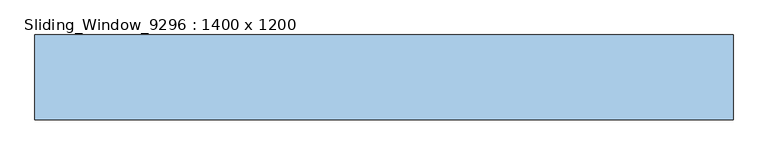
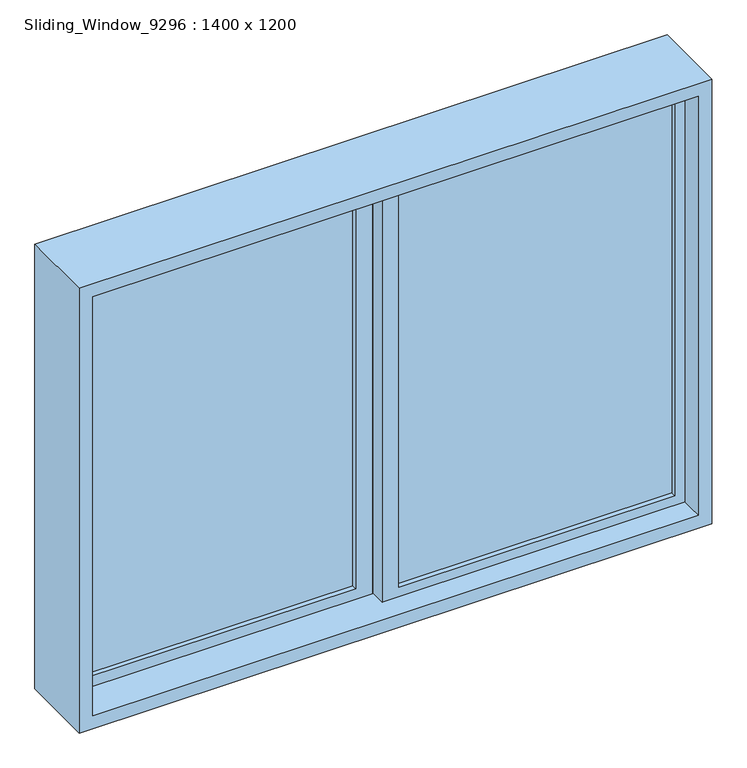
"""IFC4 building model written with IfcOpenShell, lengths in millimetres: window geometry, Sliding_Window_9296 : 1400 x 1200."""

from ifc_helpers import new_model, si_unit, frame, origin, place, context, project, spatial, polyline, outline, extrude, faceted_brep, source, transform, mapped, element, save


def sliding_window_9296_1400_x_1200_3bfe0642(model_context):
    return source(origin(), model_context, "Body", "SolidModel", [
        faceted_brep([(-939.8, -114.3, 2297.0), (-939.8, 114.3, 2297.0), (-939.8, 114.3, 900.0), (-939.8, -114.3, 900.0), (939.8, 114.3, 2297.0), (939.8, 114.3, 900.0), (-919.8, 114.3, 920.0), (919.8, 114.3, 920.0), (919.8, 114.3, 2277.0), (-919.8, 114.3, 2277.0), (939.8, -114.3, 900.0), (939.8, -114.3, 2297.0), (-899.8, -114.3, 2257.0), (899.8, -114.3, 2257.0), (899.8, -114.3, 940.0), (-899.8, -114.3, 940.0), (-899.8, 0.0, 2257.0), (-899.8, 0.0, 940.0), (899.8, 0.0, 940.0), (-919.8, 0.0, 2277.0), (919.8, 0.0, 2277.0), (919.8, 0.0, 920.0), (-919.8, 0.0, 920.0), (899.8, 0.0, 2257.0)], [[[0, 1, 2, 3]], [[1, 4, 5, 2], [6, 7, 8, 9]], [[3, 2, 5, 10]], [[3, 10, 11, 0], [12, 13, 14, 15]], [[16, 12, 15, 17]], [[17, 15, 14, 18]], [[19, 20, 21, 22], [17, 18, 23, 16]], [[9, 19, 22, 6]], [[6, 22, 21, 7]], [[10, 5, 4, 11]], [[18, 14, 13, 23]], [[7, 21, 20, 8]], [[11, 4, 1, 0]], [[23, 13, 12, 16]], [[8, 20, 19, 9]]]),
        extrude(outline(polyline([(-50.0, 20.0), (-869.8, 20.0), (-869.8, 32.0), (-50.0, 32.0), (-50.0, 20.0)])), frame((0.0, 0.0, 970.0), z_axis=(0.0, 0.0, 1.0), x_axis=(1.0, 0.0, 0.0)), (0.0, 0.0, 1.0), 1257.0),
        extrude(outline(polyline([(920.0, 0.0), (2277.0, 0.0), (2277.0, -919.8), (920.0, -919.8), (920.0, 0.0)]), holes=[polyline([(2227.0, -869.8), (2227.0, -50.0), (970.0, -50.0), (970.0, -869.8), (2227.0, -869.8)])]), frame((0.0, 5.0, 0.0), z_axis=(0.0, 1.0, 0.0), x_axis=(0.0, 0.0, 1.0)), (0.0, 0.0, 1.0), 45.0),
        extrude(outline(polyline([(869.8, -30.0), (50.0, -30.0), (50.0, -18.0), (869.8, -18.0), (869.8, -30.0)])), frame((0.0, 0.0, 970.0), z_axis=(0.0, 0.0, 1.0), x_axis=(1.0, 0.0, 0.0)), (0.0, 0.0, 1.0), 1257.0),
        extrude(outline(polyline([(920.0, 919.8), (2277.0, 919.8), (2277.0, 0.0), (920.0, 0.0), (920.0, 919.8)]), holes=[polyline([(2227.0, 50.0), (2227.0, 869.8), (970.0, 869.8), (970.0, 50.0), (2227.0, 50.0)])]), frame((0.0, -45.0, 0.0), z_axis=(0.0, 1.0, 0.0), x_axis=(0.0, 0.0, 1.0)), (0.0, 0.0, 1.0), 45.0),
    ])


if __name__ == "__main__":
    model = new_model("IFC4")
    model_context = context("Model", 3, world=origin())
    ifc_project = project(units=[si_unit("LENGTHUNIT", "METRE", prefix="MILLI")], contexts=[model_context])
    site = spatial("IfcSite", under=ifc_project)
    building = spatial("IfcBuilding", under=site)
    placement = place(None, origin())
    sliding_window_9296_1400_x_1200_shape = sliding_window_9296_1400_x_1200_3bfe0642(model_context)
    element("IfcWindow", 1, ObjectType="Sliding_Window_9296 : 1400 x 1200", at=placement, inside=building, context=model_context, shape_type="MappedRepresentation", body=[
        mapped(sliding_window_9296_1400_x_1200_shape, transform((0.0, 0.0, 0.0), x_axis=(1.0, 0.0, 0.0), y_axis=(0.0, 1.0, 0.0), z_axis=(0.0, 0.0, 1.0))),
    ])
    save(model, "model.ifc")
